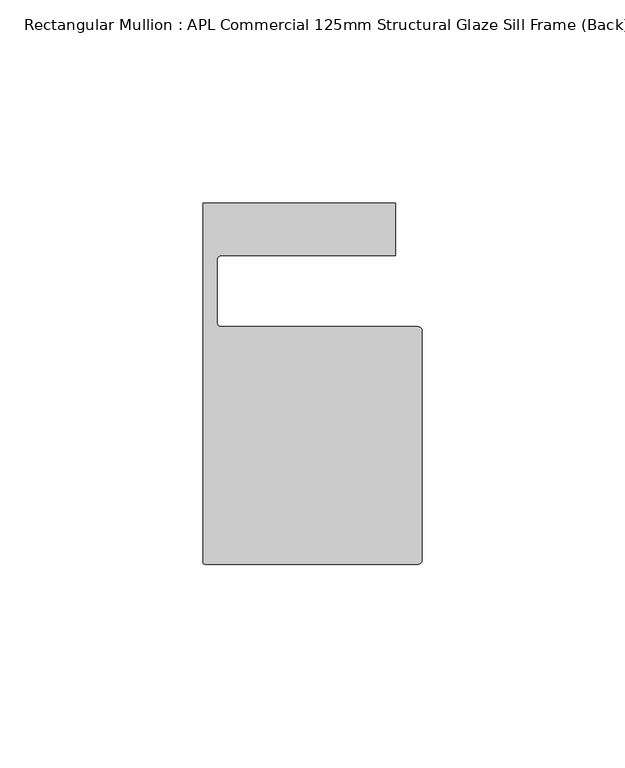
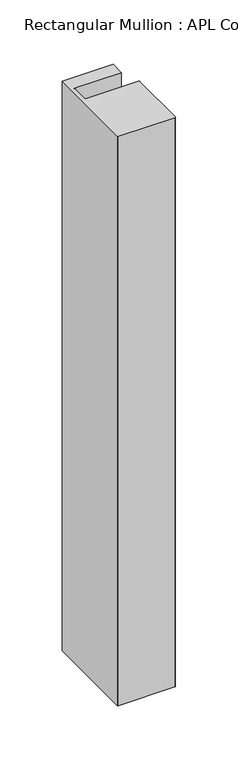
"""IFC4 building model written with IfcOpenShell, lengths in millimetres: member geometry, Rectangular Mullion : APL Commercial 125mm Structural Glaze Sill Frame (Back)."""

from ifc_helpers import new_model, si_unit, frame, origin, place, context, project, spatial, polyline, circle_curve, source, transform, mapped, element, save
from ifc_brep_helpers import plane_surface, cylinder_surface, revolved_surface, advanced_brep


def rectangular_mullion_apl_commercial_125mm_structural_glaze_92ecf9ab(model_context):
    return source(origin(), model_context, "Body", "AdvancedBrep", [
        advanced_brep(
        [(-53.5000029, -104.0, 0.0), (-1.0000025, -104.0, 0.0), (-2.5e-06, -103.0, 0.0), (0.0, -46.5010268, 0.0), (-1.0, -45.5010268, 0.0), (-49.5000004, -45.5010268, 0.0), (-50.5000004, -44.5010268, 0.0), (-50.5000029, -29.0004332, 0.0), (-49.5000029, -28.0004332, 0.0), (-6.5000029, -28.0004332, 0.0), (-6.5000029, -15.0004332, 0.0), (-54.0000029, -15.0004332, 0.0), (-54.0000029, -103.5, 0.0), (-53.5000029, -104.0, -558.9999477), (-54.0000029, -103.5, -558.9999477), (-54.0000029, -15.0004332, -558.9999477), (-6.5000029, -15.0004332, -558.9999477), (-6.5000029, -28.0004332, -558.9999477), (-49.5000029, -28.0004332, -558.9999477), (-50.5000029, -29.0004332, -558.9999477), (-50.5000029, -44.5010268, -558.9999477), (-49.5000004, -45.5010268, -558.9999477), (-1.0, -45.5010268, -558.9999477), (0.0, -46.5010268, -558.9999477), (0.0, -103.0, -558.9999477), (-1.0000025, -104.0, -558.9999477)],
        [
            (0, 1),
            (1, 2, circle_curve(frame((-1.0000025, -103.0, 0.0), z_axis=(0.0, 0.0, 1.0), x_axis=(0.9999999999996143, -8.78371761103865e-07, 0.0)), 1.0)),
            (2, 3),
            (3, 4, circle_curve(frame((-1.0, -46.5010268, 0.0), z_axis=(0.0, 0.0, 1.0), x_axis=(0.0, 1.0, 0.0)), 1.0)),
            (4, 5),
            (5, 6, circle_curve(frame((-49.5000004, -44.5010268, 0.0), z_axis=(0.0, 0.0, -1.0), x_axis=(-0.9999999999998819, -4.863123717036027e-07, 0.0)), 1.0)),
            (6, 7),
            (7, 8, circle_curve(frame((-49.5000029, -29.0004332, 0.0), z_axis=(0.0, 0.0, -1.0), x_axis=(0.0, 1.0, 0.0)), 1.0)),
            (8, 9),
            (9, 10),
            (10, 11),
            (11, 12),
            (12, 0, circle_curve(frame((-53.5000029, -103.5, 0.0), z_axis=(0.0, 0.0, 1.0), x_axis=(0.0, -1.0, 0.0)), 0.5)),
            (13, 14, circle_curve(frame((-53.5000029, -103.5, -558.9999477), z_axis=(0.0, 0.0, -1.0), x_axis=(0.0, -1.0, 0.0)), 0.5)),
            (14, 15),
            (15, 16),
            (16, 17),
            (17, 18),
            (18, 19, circle_curve(frame((-49.5000029, -29.0004332, -558.9999477), z_axis=(0.0, 0.0, 1.0), x_axis=(0.0, 1.0, 0.0)), 1.0)),
            (19, 20),
            (20, 21, circle_curve(frame((-49.5000004, -44.5010268, -558.9999477), z_axis=(0.0, 0.0, 1.0), x_axis=(-0.9999999999998819, -4.863123717036027e-07, 0.0)), 1.0)),
            (21, 22),
            (22, 23, circle_curve(frame((-1.0, -46.5010268, -558.9999477), z_axis=(0.0, 0.0, -1.0), x_axis=(0.0, 1.0, 0.0)), 1.0)),
            (23, 24),
            (24, 25, circle_curve(frame((-1.0000025, -103.0, -558.9999477), z_axis=(0.0, 0.0, -1.0), x_axis=(0.9999999999996143, -8.78371761103865e-07, 0.0)), 1.0)),
            (25, 13),
            (0, 13),
            (25, 1),
            (24, 2),
            (23, 3),
            (22, 4),
            (21, 5),
            (20, 6),
            (19, 7),
            (18, 8),
            (17, 9),
            (16, 10),
            (15, 11),
            (14, 12),
        ],
        [
            plane_surface(frame((0.0, -116.986179, 0.0), z_axis=(0.0, 0.0, 1.0), x_axis=(-1.0, 0.0, 0.0))),
            plane_surface(frame((0.0, -116.986179, -558.9999477), z_axis=(0.0, 0.0, -1.0), x_axis=(-1.0, 0.0, 0.0))),
            plane_surface(frame((-53.5000029, -104.0, 0.0), z_axis=(0.0, -1.0, 0.0), x_axis=(0.0, 0.0, -1.0))),
            cylinder_surface(frame((-1.0000025, -103.0, 0.0), z_axis=(0.0, 0.0, 1.0000000000000002), x_axis=(0.9999999999996143, -8.78371761103865e-07, 0.0)), 1.0),
            plane_surface(frame((0.0, -103.0, 0.0), z_axis=(1.0, 0.0, 0.0), x_axis=(0.0, 0.0, -1.0))),
            cylinder_surface(frame((-1.0, -46.5010268, 0.0), z_axis=(0.0, 0.0, 1.0), x_axis=(0.0, 1.0, 0.0)), 1.0),
            plane_surface(frame((-1.0, -45.5010268, 0.0), z_axis=(0.0, 1.0, 0.0), x_axis=(0.0, 0.0, -1.0))),
            revolved_surface(polyline([(-50.50000039999988, -44.50102728631237, -558.9999477000002), (-50.50000039999988, -44.50102728631237, 0.0)]), (-49.5000004, -44.5010268, 0.0), (0.0, 0.0, -1.0000000000000002)),
            plane_surface(frame((-50.5000029, -44.5010268, 0.0), z_axis=(1.0, 0.0, 0.0), x_axis=(0.0, 0.0, -1.0))),
            revolved_surface(polyline([(-49.5000029, -28.0004332, -558.9999477), (-49.5000029, -28.0004332, 0.0)]), (-49.5000029, -29.0004332, 0.0), (0.0, 0.0, -1.0)),
            plane_surface(frame((-49.5000029, -28.0004332, 0.0), z_axis=(0.0, -1.0, 0.0), x_axis=(0.0, 0.0, -1.0))),
            plane_surface(frame((-6.5000029, -28.0004332, 0.0), z_axis=(1.0, 0.0, 0.0), x_axis=(0.0, 0.0, -1.0))),
            plane_surface(frame((-6.5000029, -15.0004332, 0.0), z_axis=(0.0, 1.0, 0.0), x_axis=(0.0, 0.0, -1.0))),
            plane_surface(frame((-54.0000029, -15.0004332, 0.0), z_axis=(-1.0, 0.0, 0.0), x_axis=(0.0, 0.0, -1.0))),
            cylinder_surface(frame((-53.5000029, -103.5, 0.0), z_axis=(0.0, 0.0, 1.0), x_axis=(0.0, -1.0, 0.0)), 0.5),
        ],
        [
            (0, [[1, 2, 3, 4, 5, 6, 7, 8, 9, 10, 11, 12, 13]]),
            (1, [[14, 15, 16, 17, 18, 19, 20, 21, 22, 23, 24, 25, 26]]),
            (2, [[-1, 27, -26, 28]]),
            (3, [[-2, -28, -25, 29]]),
            (4, [[-3, -29, -24, 30]]),
            (5, [[-4, -30, -23, 31]]),
            (6, [[-5, -31, -22, 32]]),
            (7, [[-6, -32, -21, 33]]),
            (8, [[-7, -33, -20, 34]]),
            (9, [[-8, -34, -19, 35]]),
            (10, [[-9, -35, -18, 36]]),
            (11, [[-10, -36, -17, 37]]),
            (12, [[-11, -37, -16, 38]]),
            (13, [[-12, -38, -15, 39]]),
            (14, [[-13, -39, -14, -27]]),
        ],
    ),
    ])


if __name__ == "__main__":
    model = new_model("IFC4")
    model_context = context("Model", 3, world=origin())
    ifc_project = project(units=[si_unit("LENGTHUNIT", "METRE", prefix="MILLI")], contexts=[model_context])
    site = spatial("IfcSite", under=ifc_project)
    building = spatial("IfcBuilding", under=site)
    placement = place(None, origin())
    rectangular_mullion_apl_commercial_125mm_structural_glaze_shape = rectangular_mullion_apl_commercial_125mm_structural_glaze_92ecf9ab(model_context)
    element("IfcMember", 1, ObjectType="Rectangular Mullion : APL Commercial 125mm Structural Glaze Sill Frame (Back)", at=placement, inside=building, context=model_context, shape_type="MappedRepresentation", body=[
        mapped(rectangular_mullion_apl_commercial_125mm_structural_glaze_shape, transform((0.0, 0.0, 0.0), x_axis=(1.0, 0.0, 0.0), y_axis=(0.0, 1.0, 0.0), z_axis=(0.0, 0.0, 1.0))),
    ])
    save(model, "model.ifc")
